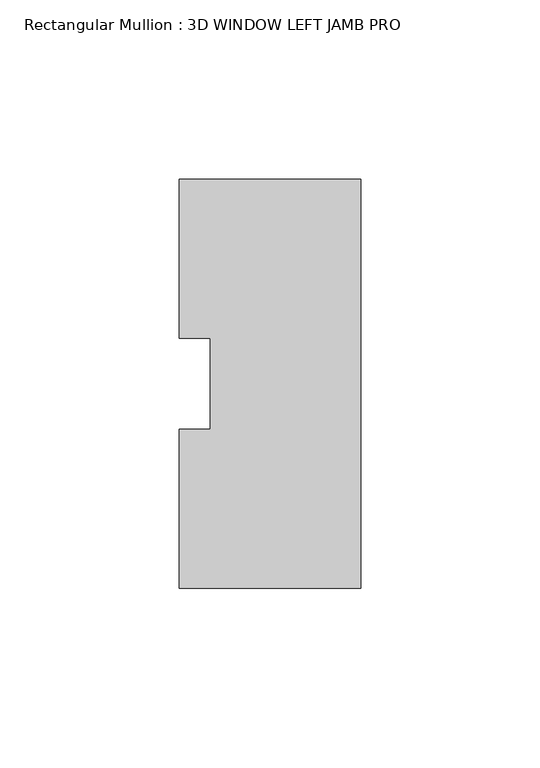
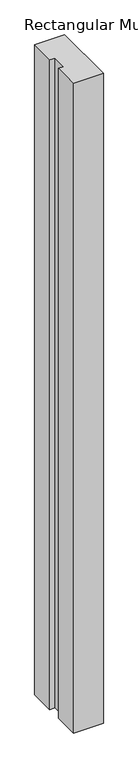
"""IFC4 building model written with IfcOpenShell, lengths in millimetres: member geometry, Rectangular Mullion : 3D WINDOW LEFT JAMB PRO."""

import ifcopenshell
import ifcopenshell.guid

model = None  # the IFC model being written
_history = None  # IfcOwnerHistory: only IFC2X3 demands one
_inside = {}  # id of a spatial element -> (the spatial element, [elements in it])
_under = {}  # id of a project, library or spatial element -> (it, [spatial elements below it])
_declared = {}  # id of a project -> (the project, [libraries it declares])
_typed = {}  # id of a type object -> (the type object, [elements of that type])
_made_of = {}  # id of a material, layer set ... -> (it, [elements and type objects made of it])


def new_model(schema):
    """Start an empty IFC model of exactly this schema.

    Asked for "IFC4X3", IfcOpenShell would pick the latest addendum, in which some entities
    have other attributes; the version numbers below select the first issue.
    IFC2X3 requires an IfcOwnerHistory on every rooted entity: one is made here for all.
    """
    global model, _history
    if schema == "IFC4X3":
        model = ifcopenshell.file(schema_version=(4, 3, 0, 0))
    else:
        model = ifcopenshell.file(schema=schema)
    _inside.clear()
    _under.clear()
    _declared.clear()
    _typed.clear()
    _made_of.clear()
    _history = None
    if model.schema == "IFC2X3":
        org = make("IfcOrganization", Name="unknown")
        user = make(
            "IfcPersonAndOrganization",
            ThePerson=make("IfcPerson", FamilyName="unknown"),
            TheOrganization=org,
        )
        app = make(
            "IfcApplication",
            ApplicationDeveloper=org,
            Version="unknown",
            ApplicationFullName="unknown",
            ApplicationIdentifier="unknown",
        )
        _history = make(
            "IfcOwnerHistory",
            OwningUser=user,
            OwningApplication=app,
            ChangeAction="ADDED",
            CreationDate=0,
        )
    return model


def make(cls, **values):
    """One entity of the class cls with the attributes given. An attribute that is None is left unset."""
    return model.create_entity(
        cls, **{name: value for name, value in values.items() if value is not None}
    )


def rooted(cls, **values):
    """An entity with a GlobalId (a new one), such as an element, a storey or a relation."""
    return make(cls, GlobalId=ifcopenshell.guid.new(), OwnerHistory=_history, **values)


def si_unit(unit_type, name, prefix=None):
    """IfcSIUnit, for example si_unit("LENGTHUNIT", "METRE", prefix="MILLI")."""
    return make("IfcSIUnit", UnitType=unit_type, Prefix=prefix, Name=name)


def assignment(units):
    """IfcUnitAssignment: the units of a project."""
    return None if units is None else make("IfcUnitAssignment", Units=units)


def point(xyz):
    """IfcCartesianPoint."""
    return None if xyz is None else make("IfcCartesianPoint", Coordinates=xyz)


def direction(xyz):
    """IfcDirection."""
    return None if xyz is None else make("IfcDirection", DirectionRatios=xyz)


def frame(location, z_axis=None, x_axis=None):
    """IfcAxis2Placement3D, a coordinate frame: its origin and axes. An axis left out is left unset."""
    return make(
        "IfcAxis2Placement3D",
        Location=point(location),
        Axis=direction(z_axis),
        RefDirection=direction(x_axis),
    )


def origin():
    """The frame at (0, 0, 0) with its axes left unset."""
    return frame((0.0, 0.0, 0.0))


def place(relative_to, where):
    """IfcLocalPlacement: puts the frame where relative to a parent placement (None: the world)."""
    return make(
        "IfcLocalPlacement", PlacementRelTo=relative_to, RelativePlacement=where
    )


def context(
    kind, dimensions, precision=None, world=None, true_north=None, identifier=None
):
    """IfcGeometricRepresentationContext, for example the 3D "Model" context."""
    return make(
        "IfcGeometricRepresentationContext",
        ContextIdentifier=identifier,
        ContextType=kind,
        CoordinateSpaceDimension=dimensions,
        Precision=precision,
        WorldCoordinateSystem=world,
        TrueNorth=true_north,
    )


def project(units=None, contexts=None):
    """IfcProject with its units and contexts."""
    return rooted(
        "IfcProject",
        Name="project",
        RepresentationContexts=contexts,
        UnitsInContext=assignment(units),
    )


def spatial(cls, under=None, at=None, **own):
    """A site, building, storey or space (cls), placed at a placement, below another one or the project."""
    s = rooted(cls, ObjectPlacement=at, **own)
    if under is not None:
        _under.setdefault(under.id(), (under, []))[1].append(s)
    return s


def polyline(points):
    """IfcPolyline through the points."""
    return make("IfcPolyline", Points=[point(p) for p in points])


def outline(outer, holes=None, kind="AREA"):
    """IfcArbitraryClosedProfileDef: a profile drawn as a closed curve; with holes, ...WithVoids."""
    if holes is None:
        return make("IfcArbitraryClosedProfileDef", ProfileType=kind, OuterCurve=outer)
    return make(
        "IfcArbitraryProfileDefWithVoids",
        ProfileType=kind,
        OuterCurve=outer,
        InnerCurves=holes,
    )


def extrude(swept, where, along, depth):
    """IfcExtrudedAreaSolid: the profile swept, set in the frame where, extruded along a direction by depth."""
    return make(
        "IfcExtrudedAreaSolid",
        SweptArea=swept,
        Position=where,
        ExtrudedDirection=direction(along),
        Depth=depth,
    )


def shape(context_of_items, identifier, shape_type, items):
    """IfcShapeRepresentation: the items that make up one representation, for example the "Body"."""
    return make(
        "IfcShapeRepresentation",
        ContextOfItems=context_of_items,
        RepresentationIdentifier=identifier,
        RepresentationType=shape_type,
        Items=items,
    )


def source(mapping_origin, context_of_items, identifier, shape_type, items):
    """IfcRepresentationMap: a shape defined once, which mapped items show again and again."""
    return make(
        "IfcRepresentationMap",
        MappingOrigin=mapping_origin,
        MappedRepresentation=shape(context_of_items, identifier, shape_type, items),
    )


def transform(
    local_origin,
    x_axis=None,
    y_axis=None,
    z_axis=None,
    scale=None,
    scale2=None,
    scale3=None,
    uniform=True,
):
    """IfcCartesianTransformationOperator3D, or its non-uniform kind. x_axis, y_axis, z_axis: its Axis1, 2, 3."""
    if uniform:
        return make(
            "IfcCartesianTransformationOperator3D",
            Axis1=direction(x_axis),
            Axis2=direction(y_axis),
            LocalOrigin=point(local_origin),
            Scale=scale,
            Axis3=direction(z_axis),
        )
    return make(
        "IfcCartesianTransformationOperator3DnonUniform",
        Axis1=direction(x_axis),
        Axis2=direction(y_axis),
        LocalOrigin=point(local_origin),
        Scale=scale,
        Axis3=direction(z_axis),
        Scale2=scale2,
        Scale3=scale3,
    )


def mapped(mapping_source, mapping_target):
    """IfcMappedItem: shows the shape of a source again, moved by a transform."""
    return make(
        "IfcMappedItem", MappingSource=mapping_source, MappingTarget=mapping_target
    )


def made_of(thing, what):
    """Note that an element or type object is made of a material, layer set ...; save() writes the relation."""
    if what is not None:
        _made_of.setdefault(what.id(), (what, []))[1].append(thing)
    return thing


def element(
    cls,
    number,
    at=None,
    inside=None,
    cuts=None,
    type_object=None,
    material=None,
    context=None,
    identifier="Body",
    shape_type=None,
    held_by="IfcProductDefinitionShape",
    body=None,
    shapes=None,
    **own,
):
    """One element of the class cls, such as IfcWall. Its Tag is "e" and its number.

    at: its placement. inside: the storey or other place that contains it. cuts: it is an
    opening in that element (IfcRelVoidsElement). A single representation is given by context,
    identifier, shape_type and body (its items); several are given by shapes. held_by: the class
    of the entity that holds the representations. save() writes the other relations.
    """
    e = rooted(cls, Tag="e%d" % number, ObjectPlacement=at, **own)
    if body is not None:
        shapes = [shape(context, identifier, shape_type, body)]
    if shapes is not None:
        e.Representation = make(held_by, Representations=shapes)
    if inside is not None:
        _inside.setdefault(inside.id(), (inside, []))[1].append(e)
    if cuts is not None:
        rooted(
            "IfcRelVoidsElement", RelatingBuildingElement=cuts, RelatedOpeningElement=e
        )
    if type_object is not None:
        _typed.setdefault(type_object.id(), (type_object, []))[1].append(e)
    return made_of(e, material)


def aggregate(whole, parts):
    """IfcRelAggregates: a whole, such as a stair, and the parts it consists of."""
    return rooted("IfcRelAggregates", RelatingObject=whole, RelatedObjects=parts)


def save(model, path):
    """Write the relations noted so far, then the file.

    IfcRelAggregates (storeys below a building ...), IfcRelContainedInSpatialStructure (elements
    in a storey), IfcRelDefinesByType, IfcRelAssociatesMaterial and IfcRelDeclares: one each for
    every whole, place, type object, material and project.
    """
    for whole, parts in _under.values():
        aggregate(whole, parts)
    for where, things in _inside.values():
        rooted(
            "IfcRelContainedInSpatialStructure",
            RelatedElements=things,
            RelatingStructure=where,
        )
    for kind, things in _typed.values():
        rooted("IfcRelDefinesByType", RelatedObjects=things, RelatingType=kind)
    for what, things in _made_of.values():
        rooted("IfcRelAssociatesMaterial", RelatedObjects=things, RelatingMaterial=what)
    for by, libraries in _declared.values():
        rooted("IfcRelDeclares", RelatingContext=by, RelatedDefinitions=libraries)
    model.write(path)


def rectangular_mullion_3d_window_left_jamb_pro_7ab7eac5(model_context):
    return source(origin(), model_context, "Body", "SweptSolid", [
        extrude(outline(polyline([(-26.6832144, -57.1388465), (-26.6832144, -12.7438492), (-17.9519644, -12.7438492), (-17.9519644, 12.7438492), (-26.6832144, 12.7438492), (-26.6832144, 57.1611535), (24.1167856, 57.1611535), (24.1167856, -57.1388465), (-26.6832144, -57.1388465)])), frame((0.0, 0.0, -1168.4), z_axis=(0.0, 0.0, 1.0), x_axis=(1.0, 0.0, 0.0)), (0.0, 0.0, 1.0), 1168.4),
    ])


if __name__ == "__main__":
    model = new_model("IFC4")
    model_context = context("Model", 3, world=origin())
    ifc_project = project(units=[si_unit("LENGTHUNIT", "METRE", prefix="MILLI")], contexts=[model_context])
    site = spatial("IfcSite", under=ifc_project)
    building = spatial("IfcBuilding", under=site)
    placement = place(None, origin())
    rectangular_mullion_3d_window_left_jamb_pro_shape = rectangular_mullion_3d_window_left_jamb_pro_7ab7eac5(model_context)
    element("IfcMember", 1, ObjectType="Rectangular Mullion : 3D WINDOW LEFT JAMB PRO", at=placement, inside=building, context=model_context, shape_type="MappedRepresentation", body=[
        mapped(rectangular_mullion_3d_window_left_jamb_pro_shape, transform((0.0, 0.0, 0.0), x_axis=(1.0, 0.0, 0.0), y_axis=(0.0, 1.0, 0.0), z_axis=(0.0, 0.0, 1.0))),
    ])
    save(model, "model.ifc")
